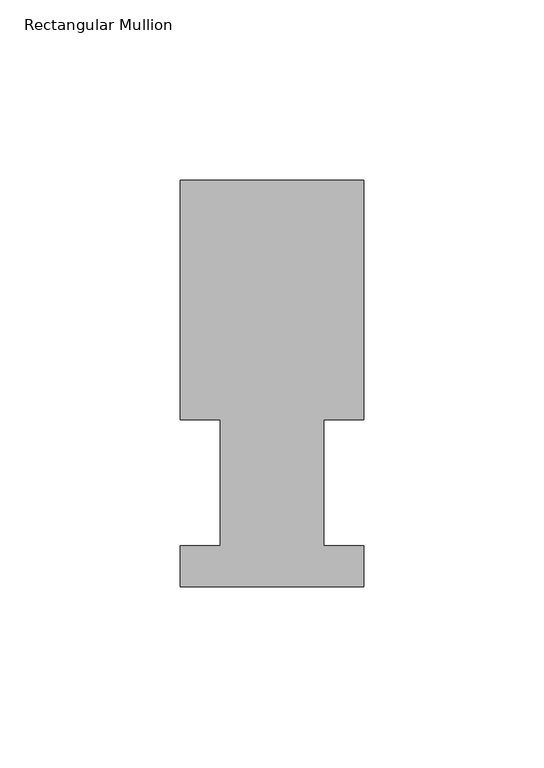
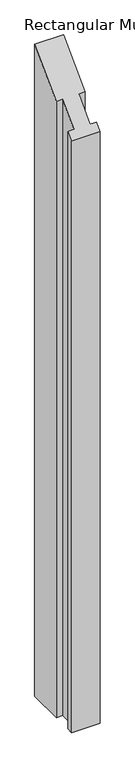
"""IFC4 building model written with IfcOpenShell, lengths in millimetres: member geometry, Rectangular Mullion."""

from ifc_helpers import new_model, si_unit, origin, place, context, project, spatial, faceted_brep, source, transform, mapped, element, save


def rectangular_mullion_8f9632c6(model_context):
    return source(origin(), model_context, "Body", "Brep", [
        faceted_brep([(-50.8, 0.739775, -1104.9), (-50.8, 12.144375, -1104.9), (-39.6875, 12.144375, -1104.9), (-39.6875, 47.069375, -1104.9), (-50.8, 47.069375, -1104.9), (-50.8, 113.464975, -1104.9), (0.0, 113.464975, -1104.9), (0.0, 47.069375, -1104.9), (-11.0998, 47.069375, -1104.9), (-11.0998, 12.144375, -1104.9), (0.0, 12.144375, -1104.9), (0.0, 0.739775, -1104.9), (0.0, 0.739775, 0.739775), (-50.8, 0.739775, 0.739775), (0.0, 12.144375, 12.144375), (-11.0998, 12.144375, 12.144375), (-11.0998, 47.069375, 47.069375), (0.0, 47.069375, 47.069375), (0.0, 113.464975, 113.464975), (-50.8, 113.464975, 113.464975), (-50.8, 47.069375, 47.069375), (-39.6875, 47.069375, 47.069375), (-39.6875, 12.144375, 12.144375), (-50.8, 12.144375, 12.144375)], [[[0, 1, 2, 3, 4, 5, 6, 7, 8, 9, 10, 11]], [[12, 13, 0, 11]], [[14, 12, 11, 10]], [[15, 14, 10, 9]], [[16, 15, 9, 8]], [[17, 16, 8, 7]], [[18, 17, 7, 6]], [[19, 18, 6, 5]], [[20, 19, 5, 4]], [[21, 20, 4, 3]], [[22, 21, 3, 2]], [[23, 22, 2, 1]], [[13, 23, 1, 0]], [[13, 12, 14, 15, 16, 17, 18, 19, 20, 21, 22, 23]]]),
    ])


if __name__ == "__main__":
    model = new_model("IFC4")
    model_context = context("Model", 3, world=origin())
    ifc_project = project(units=[si_unit("LENGTHUNIT", "METRE", prefix="MILLI")], contexts=[model_context])
    site = spatial("IfcSite", under=ifc_project)
    building = spatial("IfcBuilding", under=site)
    placement = place(None, origin())
    rectangular_mullion_shape = rectangular_mullion_8f9632c6(model_context)
    element("IfcMember", 1, ObjectType="Rectangular Mullion", at=placement, inside=building, context=model_context, shape_type="MappedRepresentation", body=[
        mapped(rectangular_mullion_shape, transform((0.0, 0.0, 0.0), x_axis=(1.0, 0.0, 0.0), y_axis=(0.0, 1.0, 0.0), z_axis=(0.0, 0.0, 1.0))),
    ])
    save(model, "model.ifc")
